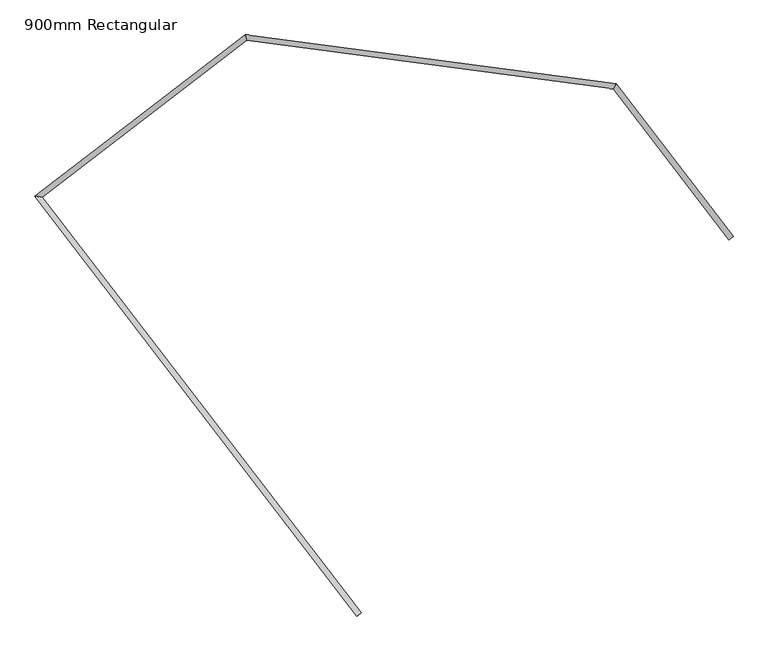
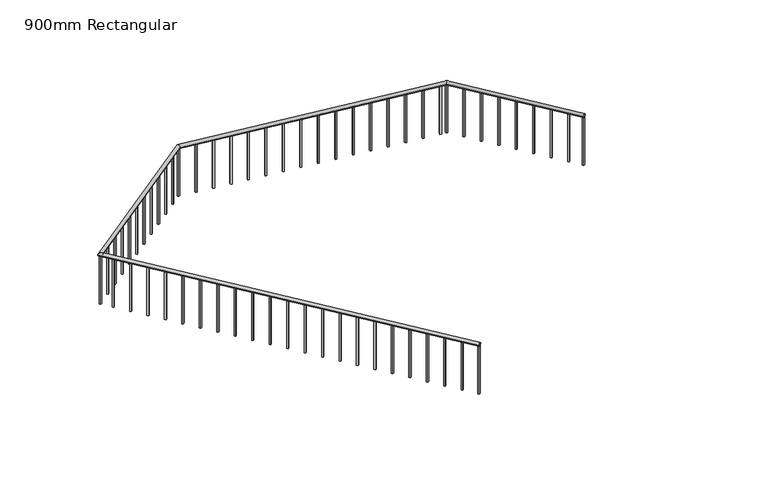
"""IFC4 building model written with IfcOpenShell, lengths in millimetres: railing geometry, 900mm Rectangular."""

from ifc_helpers import new_model, si_unit, frame, origin, place, context, project, spatial, polyline, circle_curve, ellipse_curve, outline, extrude, source, transform, mapped, element, save
from ifc_brep_helpers import plane_surface, cylinder_surface, advanced_brep


def railing_900mm_rectangular_889e4c9a(model_context):
    return source(origin(), model_context, "Body", "SolidModel", [
        advanced_brep(
        [(-17821.9081414, 6065.4078789, 4480.0), (-17774.2932685, 6101.9157394, 4480.0), (-21475.7365188, 10830.8630711, 4480.0), (-21391.6137854, 10819.7560588, 4480.0), (-19089.3823755, 12660.5578507, 4480.0), (-19072.5972411, 12597.8209269, 4480.0), (-14880.3529207, 12104.8252912, 4480.0), (-14912.8457426, 12048.5947045, 4480.0), (-13552.6404829, 10373.1746834, 4480.0), (-13600.2553558, 10336.6668228, 4480.0)],
        [
            (0, 1, circle_curve(frame((-17798.1007049, 6083.6618091, 4480.0), z_axis=(0.6084643426153782, -0.7935812143477414, 0.0), x_axis=(0.7935812143477414, 0.6084643426153782, 0.0)), 30.0)),
            (1, 0, circle_curve(frame((-17798.1007049, 6083.6618091, 4480.0), z_axis=(0.6084643426153782, -0.7935812143477414, 0.0), x_axis=(0.7935812143477414, 0.6084643426153782, 0.0)), 30.0)),
            (0, 2),
            (2, 3, ellipse_curve(frame((-21433.6751521, 10825.309565, 4480.0), z_axis=(-0.13089739531399264, -0.9913959208610919, 0.0), x_axis=(0.9913959208610919, -0.13089739531399266, 0.0)), 42.4264069, 30.0)),
            (3, 1),
            (3, 2, ellipse_curve(frame((-21433.6751521, 10825.309565, 4480.0), z_axis=(-0.13089739531399264, -0.9913959208610919, 0.0), x_axis=(0.9913959208610919, -0.13089739531399266, 0.0)), 42.4264069, 30.0)),
            (2, 4),
            (4, 5, ellipse_curve(frame((-19080.9898083, 12629.1893888, 4480.0), z_axis=(-0.9660226644304748, -0.25845736941833625, 0.0), x_axis=(0.2584573694183363, -0.9660226644304748, 0.0)), 32.471766, 30.0)),
            (5, 3),
            (5, 4, ellipse_curve(frame((-19080.9898083, 12629.1893888, 4480.0), z_axis=(-0.9660226644304748, -0.25845736941833625, 0.0), x_axis=(0.2584573694183363, -0.9660226644304748, 0.0)), 32.471766, 30.0)),
            (4, 6),
            (6, 7, ellipse_curve(frame((-14896.5993317, 12076.7099978, 4480.0), z_axis=(-0.8658381353620271, 0.5003242182353442, 0.0), x_axis=(-0.5003242182353433, -0.8658381353620274, 0.0)), 32.471766, 30.0)),
            (7, 5),
            (7, 6, ellipse_curve(frame((-14896.5993317, 12076.7099978, 4480.0), z_axis=(-0.8658381353620271, 0.5003242182353442, 0.0), x_axis=(-0.5003242182353433, -0.8658381353620274, 0.0)), 32.471766, 30.0)),
            (8, 9, circle_curve(frame((-13576.4479193, 10354.9207531, 4480.0), z_axis=(0.6084643426153793, -0.7935812143477406, 0.0), x_axis=(-0.7935812143477404, -0.6084643426153792, 0.0)), 30.0)),
            (9, 8, circle_curve(frame((-13576.4479193, 10354.9207531, 4480.0), z_axis=(0.6084643426153793, -0.7935812143477406, 0.0), x_axis=(-0.7935812143477404, -0.6084643426153792, 0.0)), 30.0)),
            (6, 8),
            (9, 7),
        ],
        [
            plane_surface(frame((-17798.1007049, 6083.6618091, 4500.0), z_axis=(0.6084643426153782, -0.7935812143477414, 0.0), x_axis=(0.7935812143477414, 0.6084643426153782, 0.0))),
            cylinder_surface(frame((-17798.1007049, 6083.6618091, 4480.0), z_axis=(0.6084643426153782, -0.7935812143477414, 0.0), x_axis=(0.7935812143477414, 0.6084643426153782, 0.0)), 30.0),
            cylinder_surface(frame((-21433.6751521, 10825.309565, 4480.0), z_axis=(-0.7935812143477393, -0.6084643426153808, 0.0), x_axis=(0.6084643426153808, -0.7935812143477393, 0.0)), 30.0),
            cylinder_surface(frame((-19080.9898083, 12629.1893888, 4480.0), z_axis=(-0.991395920855699, 0.13089739535483702, 0.0), x_axis=(-0.13089739535483702, -0.991395920855699, 0.0)), 30.0),
            plane_surface(frame((-13576.4479193, 10354.9207531, 4500.0), z_axis=(0.6084643426153794, -0.7935812143477403, 0.0), x_axis=(0.7935812143477403, 0.6084643426153794, 0.0))),
            cylinder_surface(frame((-14896.5993317, 12076.7099978, 4480.0), z_axis=(-0.6084643426153792, 0.7935812143477404, 0.0), x_axis=(-0.7935812143477404, -0.6084643426153792, 0.0)), 30.0),
        ],
        [
            (0, [[1, 2]]),
            (1, [[-1, 3, 4, 5]]),
            (1, [[-2, -5, 6, -3]]),
            (2, [[-4, 7, 8, 9]]),
            (2, [[-6, -9, 10, -7]]),
            (3, [[-8, 11, 12, 13]]),
            (3, [[-10, -13, 14, -11]]),
            (4, [[15, 16]]),
            (5, [[-12, 17, -16, 18]]),
            (5, [[-14, -18, -15, -17]]),
        ],
    ),
        extrude(outline(polyline([(-13742.8310416, 10551.3801211), (-13722.9915112, 10566.5917297), (-13707.7799027, 10546.7521993), (-13727.619433, 10531.5405908), (-13742.8310416, 10551.3801211)])), frame((0.0, 0.0, 3600.0), z_axis=(0.0, 0.0, 1.0), x_axis=(1.0, 0.0, 0.0)), (0.0, 0.0, 1.0), 850.0),
        extrude(outline(polyline([(-13910.1587358, 10769.6149551), (-13890.3192055, 10784.8265636), (-13875.1075969, 10764.9870333), (-13894.9471273, 10749.7754247), (-13910.1587358, 10769.6149551)])), frame((0.0, 0.0, 3600.0), z_axis=(0.0, 0.0, 1.0), x_axis=(1.0, 0.0, 0.0)), (0.0, 0.0, 1.0), 850.0),
        extrude(outline(polyline([(-14077.48643, 10987.849789), (-14057.6468997, 11003.0613976), (-14042.4352911, 10983.2218672), (-14062.2748215, 10968.0102587), (-14077.48643, 10987.849789)])), frame((0.0, 0.0, 3600.0), z_axis=(0.0, 0.0, 1.0), x_axis=(1.0, 0.0, 0.0)), (0.0, 0.0, 1.0), 850.0),
        extrude(outline(polyline([(-14244.8141243, 11206.084623), (-14224.9745939, 11221.2962315), (-14209.7629853, 11201.4567012), (-14229.6025157, 11186.2450926), (-14244.8141243, 11206.084623)])), frame((0.0, 0.0, 3600.0), z_axis=(0.0, 0.0, 1.0), x_axis=(1.0, 0.0, 0.0)), (0.0, 0.0, 1.0), 850.0),
        extrude(outline(polyline([(-14412.1418185, 11424.3194569), (-14392.3022881, 11439.5310655), (-14377.0906796, 11419.6915351), (-14396.9302099, 11404.4799265), (-14412.1418185, 11424.3194569)])), frame((0.0, 0.0, 3600.0), z_axis=(0.0, 0.0, 1.0), x_axis=(1.0, 0.0, 0.0)), (0.0, 0.0, 1.0), 850.0),
        extrude(outline(polyline([(-14579.4695127, 11642.5542908), (-14559.6299823, 11657.7658994), (-14544.4183738, 11637.9263691), (-14564.2579041, 11622.7147605), (-14579.4695127, 11642.5542908)])), frame((0.0, 0.0, 3600.0), z_axis=(0.0, 0.0, 1.0), x_axis=(1.0, 0.0, 0.0)), (0.0, 0.0, 1.0), 850.0),
        extrude(outline(polyline([(-14746.7972069, 11860.7891248), (-14726.9576766, 11876.0007334), (-14711.746068, 11856.161203), (-14731.5855984, 11840.9495944), (-14746.7972069, 11860.7891248)])), frame((0.0, 0.0, 3600.0), z_axis=(0.0, 0.0, 1.0), x_axis=(1.0, 0.0, 0.0)), (0.0, 0.0, 1.0), 850.0),
        extrude(outline(polyline([(-15005.5103012, 12078.4814014), (-15002.2378663, 12103.2662994), (-14977.4529683, 12099.9938645), (-14980.7254032, 12075.2089665), (-15005.5103012, 12078.4814014)])), frame((0.0, 0.0, 3600.0), z_axis=(0.0, 0.0, 1.0), x_axis=(1.0, 0.0, 0.0)), (0.0, 0.0, 1.0), 850.0),
        extrude(outline(polyline([(-15278.1441794, 12114.4781851), (-15274.8717446, 12139.2630831), (-15250.0868465, 12135.9906482), (-15253.3592814, 12111.2057502), (-15278.1441794, 12114.4781851)])), frame((0.0, 0.0, 3600.0), z_axis=(0.0, 0.0, 1.0), x_axis=(1.0, 0.0, 0.0)), (0.0, 0.0, 1.0), 850.0),
        extrude(outline(polyline([(-15550.7780577, 12150.4749688), (-15547.5056228, 12175.2598668), (-15522.7207248, 12171.987432), (-15525.9931597, 12147.2025339), (-15550.7780577, 12150.4749688)])), frame((0.0, 0.0, 3600.0), z_axis=(0.0, 0.0, 1.0), x_axis=(1.0, 0.0, 0.0)), (0.0, 0.0, 1.0), 850.0),
        extrude(outline(polyline([(-15823.4119359, 12186.4717525), (-15820.139501, 12211.2566506), (-15795.354603, 12207.9842157), (-15798.6270379, 12183.1993177), (-15823.4119359, 12186.4717525)])), frame((0.0, 0.0, 3600.0), z_axis=(0.0, 0.0, 1.0), x_axis=(1.0, 0.0, 0.0)), (0.0, 0.0, 1.0), 850.0),
        extrude(outline(polyline([(-16096.0458141, 12222.4685363), (-16092.7733793, 12247.2534343), (-16067.9884812, 12243.9809994), (-16071.2609161, 12219.1961014), (-16096.0458141, 12222.4685363)])), frame((0.0, 0.0, 3600.0), z_axis=(0.0, 0.0, 1.0), x_axis=(1.0, 0.0, 0.0)), (0.0, 0.0, 1.0), 850.0),
        extrude(outline(polyline([(-16368.6796924, 12258.46532), (-16365.4072575, 12283.250218), (-16340.6223595, 12279.9777831), (-16343.8947944, 12255.1928851), (-16368.6796924, 12258.46532)])), frame((0.0, 0.0, 3600.0), z_axis=(0.0, 0.0, 1.0), x_axis=(1.0, 0.0, 0.0)), (0.0, 0.0, 1.0), 850.0),
        extrude(outline(polyline([(-16641.3135706, 12294.4621037), (-16638.0411357, 12319.2470017), (-16613.2562377, 12315.9745668), (-16616.5286726, 12291.1896688), (-16641.3135706, 12294.4621037)])), frame((0.0, 0.0, 3600.0), z_axis=(0.0, 0.0, 1.0), x_axis=(1.0, 0.0, 0.0)), (0.0, 0.0, 1.0), 850.0),
        extrude(outline(polyline([(-16913.9474489, 12330.4588874), (-16910.675014, 12355.2437855), (-16885.8901159, 12351.9713506), (-16889.1625508, 12327.1864525), (-16913.9474489, 12330.4588874)])), frame((0.0, 0.0, 3600.0), z_axis=(0.0, 0.0, 1.0), x_axis=(1.0, 0.0, 0.0)), (0.0, 0.0, 1.0), 850.0),
        extrude(outline(polyline([(-17186.5813271, 12366.4556712), (-17183.3088922, 12391.2405692), (-17158.5239942, 12387.9681343), (-17161.7964291, 12363.1832363), (-17186.5813271, 12366.4556712)])), frame((0.0, 0.0, 3600.0), z_axis=(0.0, 0.0, 1.0), x_axis=(1.0, 0.0, 0.0)), (0.0, 0.0, 1.0), 850.0),
        extrude(outline(polyline([(-17459.2152053, 12402.4524549), (-17455.9427704, 12427.2373529), (-17431.1578724, 12423.964918), (-17434.4303073, 12399.18002), (-17459.2152053, 12402.4524549)])), frame((0.0, 0.0, 3600.0), z_axis=(0.0, 0.0, 1.0), x_axis=(1.0, 0.0, 0.0)), (0.0, 0.0, 1.0), 850.0),
        extrude(outline(polyline([(-17731.8490836, 12438.4492386), (-17728.5766487, 12463.2341366), (-17703.7917507, 12459.9617017), (-17707.0641855, 12435.1768037), (-17731.8490836, 12438.4492386)])), frame((0.0, 0.0, 3600.0), z_axis=(0.0, 0.0, 1.0), x_axis=(1.0, 0.0, 0.0)), (0.0, 0.0, 1.0), 850.0),
        extrude(outline(polyline([(-18004.4829618, 12474.4460223), (-18001.2105269, 12499.2309203), (-17976.4256289, 12495.9584855), (-17979.6980638, 12471.1735874), (-18004.4829618, 12474.4460223)])), frame((0.0, 0.0, 3600.0), z_axis=(0.0, 0.0, 1.0), x_axis=(1.0, 0.0, 0.0)), (0.0, 0.0, 1.0), 850.0),
        extrude(outline(polyline([(-18277.11684, 12510.442806), (-18273.8444051, 12535.2277041), (-18249.0595071, 12531.9552692), (-18252.331942, 12507.1703712), (-18277.11684, 12510.442806)])), frame((0.0, 0.0, 3600.0), z_axis=(0.0, 0.0, 1.0), x_axis=(1.0, 0.0, 0.0)), (0.0, 0.0, 1.0), 850.0),
        extrude(outline(polyline([(-18549.7507183, 12546.4395898), (-18546.4782834, 12571.2244878), (-18521.6933854, 12567.9520529), (-18524.9658202, 12543.1671549), (-18549.7507183, 12546.4395898)])), frame((0.0, 0.0, 3600.0), z_axis=(0.0, 0.0, 1.0), x_axis=(1.0, 0.0, 0.0)), (0.0, 0.0, 1.0), 850.0),
        extrude(outline(polyline([(-18822.3845965, 12582.4363735), (-18819.1121616, 12607.2212715), (-18794.3272636, 12603.9488366), (-18797.5996985, 12579.1639386), (-18822.3845965, 12582.4363735)])), frame((0.0, 0.0, 3600.0), z_axis=(0.0, 0.0, 1.0), x_axis=(1.0, 0.0, 0.0)), (0.0, 0.0, 1.0), 850.0),
        extrude(outline(polyline([(-19253.6407736, 12481.0609377), (-19268.8523821, 12500.9004681), (-19249.0128518, 12516.1120766), (-19233.8012432, 12496.2725463), (-19253.6407736, 12481.0609377)])), frame((0.0, 0.0, 3600.0), z_axis=(0.0, 0.0, 1.0), x_axis=(1.0, 0.0, 0.0)), (0.0, 0.0, 1.0), 850.0),
        extrude(outline(polyline([(-19471.8756075, 12313.7332435), (-19487.0872161, 12333.5727738), (-19467.2476857, 12348.7843824), (-19452.0360772, 12328.944852), (-19471.8756075, 12313.7332435)])), frame((0.0, 0.0, 3600.0), z_axis=(0.0, 0.0, 1.0), x_axis=(1.0, 0.0, 0.0)), (0.0, 0.0, 1.0), 850.0),
        extrude(outline(polyline([(-19690.1104415, 12146.4055493), (-19705.32205, 12166.2450796), (-19685.4825197, 12181.4566882), (-19670.2709111, 12161.6171578), (-19690.1104415, 12146.4055493)])), frame((0.0, 0.0, 3600.0), z_axis=(0.0, 0.0, 1.0), x_axis=(1.0, 0.0, 0.0)), (0.0, 0.0, 1.0), 850.0),
        extrude(outline(polyline([(-19908.3452754, 11979.077855), (-19923.556884, 11998.9173854), (-19903.7173536, 12014.128994), (-19888.505745, 11994.2894636), (-19908.3452754, 11979.077855)])), frame((0.0, 0.0, 3600.0), z_axis=(0.0, 0.0, 1.0), x_axis=(1.0, 0.0, 0.0)), (0.0, 0.0, 1.0), 850.0),
        extrude(outline(polyline([(-20126.5801094, 11811.7501608), (-20141.7917179, 11831.5896912), (-20121.9521876, 11846.8012997), (-20106.740579, 11826.9617694), (-20126.5801094, 11811.7501608)])), frame((0.0, 0.0, 3600.0), z_axis=(0.0, 0.0, 1.0), x_axis=(1.0, 0.0, 0.0)), (0.0, 0.0, 1.0), 850.0),
        extrude(outline(polyline([(-20344.8149433, 11644.4224666), (-20360.0265519, 11664.261997), (-20340.1870215, 11679.4736055), (-20324.9754129, 11659.6340752), (-20344.8149433, 11644.4224666)])), frame((0.0, 0.0, 3600.0), z_axis=(0.0, 0.0, 1.0), x_axis=(1.0, 0.0, 0.0)), (0.0, 0.0, 1.0), 850.0),
        extrude(outline(polyline([(-20563.0497772, 11477.0947724), (-20578.2613858, 11496.9343027), (-20558.4218554, 11512.1459113), (-20543.2102469, 11492.3063809), (-20563.0497772, 11477.0947724)])), frame((0.0, 0.0, 3600.0), z_axis=(0.0, 0.0, 1.0), x_axis=(1.0, 0.0, 0.0)), (0.0, 0.0, 1.0), 850.0),
        extrude(outline(polyline([(-20781.2846112, 11309.7670782), (-20796.4962198, 11329.6066085), (-20776.6566894, 11344.8182171), (-20761.4450808, 11324.9786867), (-20781.2846112, 11309.7670782)])), frame((0.0, 0.0, 3600.0), z_axis=(0.0, 0.0, 1.0), x_axis=(1.0, 0.0, 0.0)), (0.0, 0.0, 1.0), 850.0),
        extrude(outline(polyline([(-20999.5194451, 11142.4393839), (-21014.7310537, 11162.2789143), (-20994.8915233, 11177.4905229), (-20979.6799148, 11157.6509925), (-20999.5194451, 11142.4393839)])), frame((0.0, 0.0, 3600.0), z_axis=(0.0, 0.0, 1.0), x_axis=(1.0, 0.0, 0.0)), (0.0, 0.0, 1.0), 850.0),
        extrude(outline(polyline([(-21217.7542791, 10975.1116897), (-21232.9658876, 10994.9512201), (-21213.1263573, 11010.1628286), (-21197.9147487, 10990.3232983), (-21217.7542791, 10975.1116897)])), frame((0.0, 0.0, 3600.0), z_axis=(0.0, 0.0, 1.0), x_axis=(1.0, 0.0, 0.0)), (0.0, 0.0, 1.0), 850.0),
        extrude(outline(polyline([(-21294.4567141, 10664.2793611), (-21314.2962444, 10649.0677525), (-21329.507853, 10668.9072829), (-21309.6683226, 10684.1188915), (-21294.4567141, 10664.2793611)])), frame((0.0, 0.0, 3600.0), z_axis=(0.0, 0.0, 1.0), x_axis=(1.0, 0.0, 0.0)), (0.0, 0.0, 1.0), 850.0),
        extrude(outline(polyline([(-21127.1290199, 10446.0445272), (-21146.9685502, 10430.8329186), (-21162.1801588, 10450.672449), (-21142.3406284, 10465.8840575), (-21127.1290199, 10446.0445272)])), frame((0.0, 0.0, 3600.0), z_axis=(0.0, 0.0, 1.0), x_axis=(1.0, 0.0, 0.0)), (0.0, 0.0, 1.0), 850.0),
        extrude(outline(polyline([(-20959.8013256, 10227.8096932), (-20979.640856, 10212.5980847), (-20994.8524646, 10232.437615), (-20975.0129342, 10247.6492236), (-20959.8013256, 10227.8096932)])), frame((0.0, 0.0, 3600.0), z_axis=(0.0, 0.0, 1.0), x_axis=(1.0, 0.0, 0.0)), (0.0, 0.0, 1.0), 850.0),
        extrude(outline(polyline([(-20792.4736314, 10009.5748593), (-20812.3131618, 9994.3632507), (-20827.5247703, 10014.2027811), (-20807.68524, 10029.4143896), (-20792.4736314, 10009.5748593)])), frame((0.0, 0.0, 3600.0), z_axis=(0.0, 0.0, 1.0), x_axis=(1.0, 0.0, 0.0)), (0.0, 0.0, 1.0), 850.0),
        extrude(outline(polyline([(-20625.1459372, 9791.3400253), (-20644.9854676, 9776.1284168), (-20660.1970761, 9795.9679471), (-20640.3575458, 9811.1795557), (-20625.1459372, 9791.3400253)])), frame((0.0, 0.0, 3600.0), z_axis=(0.0, 0.0, 1.0), x_axis=(1.0, 0.0, 0.0)), (0.0, 0.0, 1.0), 850.0),
        extrude(outline(polyline([(-20457.818243, 9573.1051914), (-20477.6577733, 9557.8935828), (-20492.8693819, 9577.7331132), (-20473.0298515, 9592.9447217), (-20457.818243, 9573.1051914)])), frame((0.0, 0.0, 3600.0), z_axis=(0.0, 0.0, 1.0), x_axis=(1.0, 0.0, 0.0)), (0.0, 0.0, 1.0), 850.0),
        extrude(outline(polyline([(-20290.4905488, 9354.8703574), (-20310.3300791, 9339.6587489), (-20325.5416877, 9359.4982792), (-20305.7021573, 9374.7098878), (-20290.4905488, 9354.8703574)])), frame((0.0, 0.0, 3600.0), z_axis=(0.0, 0.0, 1.0), x_axis=(1.0, 0.0, 0.0)), (0.0, 0.0, 1.0), 850.0),
        extrude(outline(polyline([(-20123.1628545, 9136.6355235), (-20143.0023849, 9121.4239149), (-20158.2139935, 9141.2634453), (-20138.3744631, 9156.4750538), (-20123.1628545, 9136.6355235)])), frame((0.0, 0.0, 3600.0), z_axis=(0.0, 0.0, 1.0), x_axis=(1.0, 0.0, 0.0)), (0.0, 0.0, 1.0), 850.0),
        extrude(outline(polyline([(-19955.8351603, 8918.4006895), (-19975.6746907, 8903.189081), (-19990.8862992, 8923.0286113), (-19971.0467689, 8938.2402199), (-19955.8351603, 8918.4006895)])), frame((0.0, 0.0, 3600.0), z_axis=(0.0, 0.0, 1.0), x_axis=(1.0, 0.0, 0.0)), (0.0, 0.0, 1.0), 850.0),
        extrude(outline(polyline([(-19788.5074661, 8700.1658556), (-19808.3469965, 8684.954247), (-19823.558605, 8704.7937774), (-19803.7190747, 8720.005386), (-19788.5074661, 8700.1658556)])), frame((0.0, 0.0, 3600.0), z_axis=(0.0, 0.0, 1.0), x_axis=(1.0, 0.0, 0.0)), (0.0, 0.0, 1.0), 850.0),
        extrude(outline(polyline([(-19621.1797719, 8481.9310217), (-19641.0193022, 8466.7194131), (-19656.2309108, 8486.5589434), (-19636.3913804, 8501.770552), (-19621.1797719, 8481.9310217)])), frame((0.0, 0.0, 3600.0), z_axis=(0.0, 0.0, 1.0), x_axis=(1.0, 0.0, 0.0)), (0.0, 0.0, 1.0), 850.0),
        extrude(outline(polyline([(-19453.8520777, 8263.6961877), (-19473.691608, 8248.4845791), (-19488.9032166, 8268.3241095), (-19469.0636862, 8283.5357181), (-19453.8520777, 8263.6961877)])), frame((0.0, 0.0, 3600.0), z_axis=(0.0, 0.0, 1.0), x_axis=(1.0, 0.0, 0.0)), (0.0, 0.0, 1.0), 850.0),
        extrude(outline(polyline([(-19286.5243834, 8045.4613538), (-19306.3639138, 8030.2497452), (-19321.5755224, 8050.0892756), (-19301.735992, 8065.3008841), (-19286.5243834, 8045.4613538)])), frame((0.0, 0.0, 3600.0), z_axis=(0.0, 0.0, 1.0), x_axis=(1.0, 0.0, 0.0)), (0.0, 0.0, 1.0), 850.0),
        extrude(outline(polyline([(-19119.1966892, 7827.2265198), (-19139.0362196, 7812.0149112), (-19154.2478281, 7831.8544416), (-19134.4082978, 7847.0660502), (-19119.1966892, 7827.2265198)])), frame((0.0, 0.0, 3600.0), z_axis=(0.0, 0.0, 1.0), x_axis=(1.0, 0.0, 0.0)), (0.0, 0.0, 1.0), 850.0),
        extrude(outline(polyline([(-18951.868995, 7608.9916859), (-18971.7085254, 7593.7800773), (-18986.9201339, 7613.6196077), (-18967.0806036, 7628.8312162), (-18951.868995, 7608.9916859)])), frame((0.0, 0.0, 3600.0), z_axis=(0.0, 0.0, 1.0), x_axis=(1.0, 0.0, 0.0)), (0.0, 0.0, 1.0), 850.0),
        extrude(outline(polyline([(-18784.5413008, 7390.7568519), (-18804.3808311, 7375.5452434), (-18819.5924397, 7395.3847737), (-18799.7529094, 7410.5963823), (-18784.5413008, 7390.7568519)])), frame((0.0, 0.0, 3600.0), z_axis=(0.0, 0.0, 1.0), x_axis=(1.0, 0.0, 0.0)), (0.0, 0.0, 1.0), 850.0),
        extrude(outline(polyline([(-18617.2136066, 7172.522018), (-18637.0531369, 7157.3104094), (-18652.2647455, 7177.1499398), (-18632.4252151, 7192.3615483), (-18617.2136066, 7172.522018)])), frame((0.0, 0.0, 3600.0), z_axis=(0.0, 0.0, 1.0), x_axis=(1.0, 0.0, 0.0)), (0.0, 0.0, 1.0), 850.0),
        extrude(outline(polyline([(-18449.8859123, 6954.287184), (-18469.7254427, 6939.0755755), (-18484.9370513, 6958.9151058), (-18465.0975209, 6974.1267144), (-18449.8859123, 6954.287184)])), frame((0.0, 0.0, 3600.0), z_axis=(0.0, 0.0, 1.0), x_axis=(1.0, 0.0, 0.0)), (0.0, 0.0, 1.0), 850.0),
        extrude(outline(polyline([(-18282.5582181, 6736.0523501), (-18302.3977485, 6720.8407415), (-18317.6093571, 6740.6802719), (-18297.7698267, 6755.8918804), (-18282.5582181, 6736.0523501)])), frame((0.0, 0.0, 3600.0), z_axis=(0.0, 0.0, 1.0), x_axis=(1.0, 0.0, 0.0)), (0.0, 0.0, 1.0), 850.0),
        extrude(outline(polyline([(-18115.2305239, 6517.8175161), (-18135.0700543, 6502.6059076), (-18150.2816628, 6522.4454379), (-18130.4421325, 6537.6570465), (-18115.2305239, 6517.8175161)])), frame((0.0, 0.0, 3600.0), z_axis=(0.0, 0.0, 1.0), x_axis=(1.0, 0.0, 0.0)), (0.0, 0.0, 1.0), 850.0),
        extrude(outline(polyline([(-17947.9028297, 6299.5826822), (-17967.74236, 6284.3710736), (-17982.9539686, 6304.210604), (-17963.1144383, 6319.4222126), (-17947.9028297, 6299.5826822)])), frame((0.0, 0.0, 3600.0), z_axis=(0.0, 0.0, 1.0), x_axis=(1.0, 0.0, 0.0)), (0.0, 0.0, 1.0), 850.0),
        extrude(outline(polyline([(-14910.6279981, 12065.9537663), (-14907.3555632, 12090.7386643), (-14882.5706652, 12087.4662294), (-14885.8431001, 12062.6813314), (-14910.6279981, 12065.9537663)])), frame((0.0, 0.0, 3600.0), z_axis=(0.0, 0.0, 1.0), x_axis=(1.0, 0.0, 0.0)), (0.0, 0.0, 1.0), 850.0),
        extrude(outline(polyline([(-19083.3037692, 12611.6638193), (-19098.5153777, 12631.5033497), (-19078.6758474, 12646.7149582), (-19063.4642388, 12626.8754279), (-19083.3037692, 12611.6638193)])), frame((0.0, 0.0, 3600.0), z_axis=(0.0, 0.0, 1.0), x_axis=(1.0, 0.0, 0.0)), (0.0, 0.0, 1.0), 850.0),
        extrude(outline(polyline([(-21416.1495827, 10822.9956041), (-21435.989113, 10807.7839955), (-21451.2007216, 10827.6235259), (-21431.3611912, 10842.8351344), (-21416.1495827, 10822.9956041)])), frame((0.0, 0.0, 3600.0), z_axis=(0.0, 0.0, 1.0), x_axis=(1.0, 0.0, 0.0)), (0.0, 0.0, 1.0), 850.0),
        extrude(outline(polyline([(-13601.5792931, 10367.1544792), (-13581.7397627, 10382.3660878), (-13566.5281542, 10362.5265574), (-13586.3676845, 10347.3149488), (-13601.5792931, 10367.1544792)])), frame((0.0, 0.0, 3600.0), z_axis=(0.0, 0.0, 1.0), x_axis=(1.0, 0.0, 0.0)), (0.0, 0.0, 1.0), 850.0),
        extrude(outline(polyline([(-17788.1809398, 6091.2676134), (-17808.0204701, 6076.0560049), (-17823.2320787, 6095.8955352), (-17803.3925483, 6111.1071438), (-17788.1809398, 6091.2676134)])), frame((0.0, 0.0, 3600.0), z_axis=(0.0, 0.0, 1.0), x_axis=(1.0, 0.0, 0.0)), (0.0, 0.0, 1.0), 850.0),
    ])


if __name__ == "__main__":
    model = new_model("IFC4")
    model_context = context("Model", 3, world=origin())
    ifc_project = project(units=[si_unit("LENGTHUNIT", "METRE", prefix="MILLI")], contexts=[model_context])
    site = spatial("IfcSite", under=ifc_project)
    building = spatial("IfcBuilding", under=site)
    placement = place(None, origin())
    railing_900mm_rectangular_shape = railing_900mm_rectangular_889e4c9a(model_context)
    element("IfcRailing", 1, ObjectType="900mm Rectangular", at=placement, inside=building, context=model_context, shape_type="MappedRepresentation", body=[
        mapped(railing_900mm_rectangular_shape, transform((0.0, 0.0, 0.0), x_axis=(1.0, 0.0, 0.0), y_axis=(0.0, 1.0, 0.0), z_axis=(0.0, 0.0, 1.0))),
    ])
    save(model, "model.ifc")
